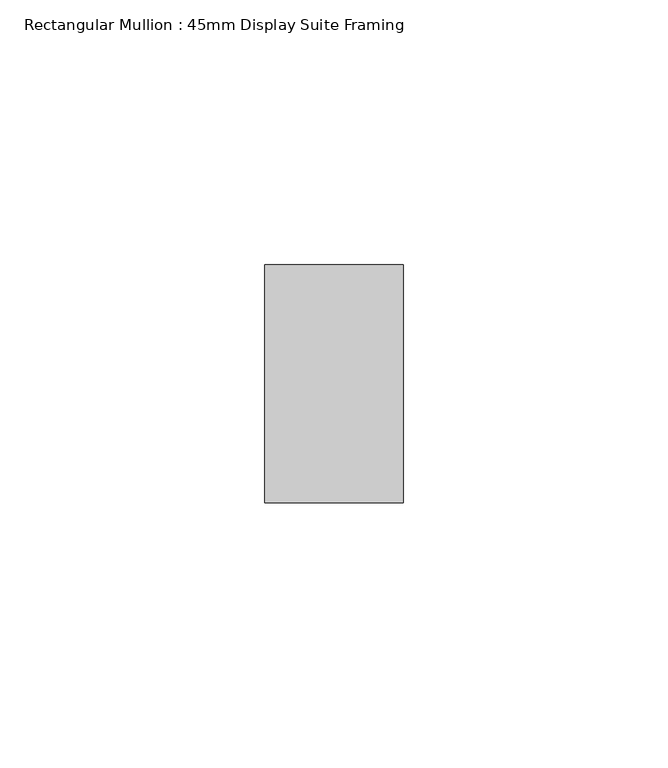
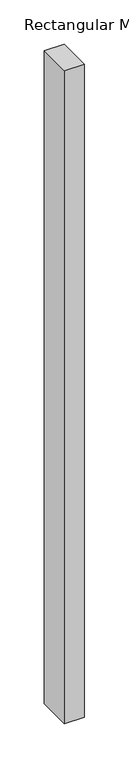
"""IFC4 building model written with IfcOpenShell, lengths in millimetres: member geometry, Rectangular Mullion : 45mm Display Suite Framing."""

from ifc_helpers import new_model, si_unit, frame, origin, place, context, project, spatial, polyline, outline, extrude, source, transform, mapped, element, save


def rectangular_mullion_45mm_display_suite_framing_dc3c91ef(model_context):
    return source(origin(), model_context, "Body", "SweptSolid", [
        extrude(outline(polyline([(13.1, 22.5), (13.1, -22.5), (-13.1, -22.5), (-13.1, 22.5), (13.1, 22.5)])), frame((0.0, 0.0, -900.0), z_axis=(0.0, 0.0, 1.0), x_axis=(1.0, 0.0, 0.0)), (0.0, 0.0, 1.0), 900.0),
    ])


if __name__ == "__main__":
    model = new_model("IFC4")
    model_context = context("Model", 3, world=origin())
    ifc_project = project(units=[si_unit("LENGTHUNIT", "METRE", prefix="MILLI")], contexts=[model_context])
    site = spatial("IfcSite", under=ifc_project)
    building = spatial("IfcBuilding", under=site)
    placement = place(None, origin())
    rectangular_mullion_45mm_display_suite_framing_shape = rectangular_mullion_45mm_display_suite_framing_dc3c91ef(model_context)
    element("IfcMember", 1, ObjectType="Rectangular Mullion : 45mm Display Suite Framing", at=placement, inside=building, context=model_context, shape_type="MappedRepresentation", body=[
        mapped(rectangular_mullion_45mm_display_suite_framing_shape, transform((0.0, 0.0, 0.0), x_axis=(1.0, 0.0, 0.0), y_axis=(0.0, 1.0, 0.0), z_axis=(0.0, 0.0, 1.0))),
    ])
    save(model, "model.ifc")
